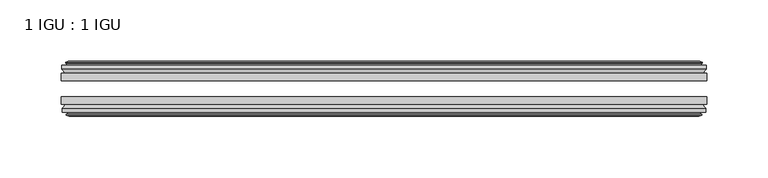
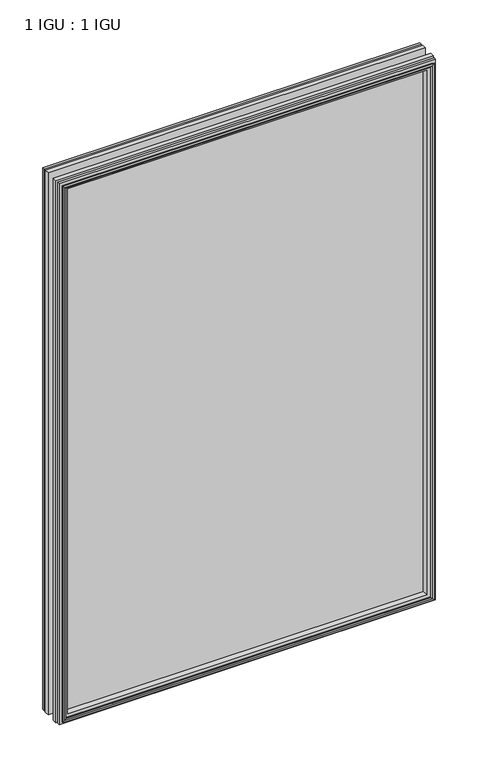
"""IFC4 building model written with IfcOpenShell, lengths in millimetres: plate geometry, 1 IGU : 1 IGU."""

from ifc_helpers import new_model, si_unit, frame, origin, place, context, project, spatial, polyline, outline, extrude, faceted_brep, source, transform, mapped, element, save


def plate_1_igu_1_igu_7bd4c5a8(model_context):
    return source(origin(), model_context, "Body", "SolidModel", [
        extrude(outline(polyline([(263.5249999, -19.5460937), (263.5249999, -25.8960938), (-263.5249999, -25.8960938), (-263.5249999, -19.5460937), (263.5249999, -19.5460937)])), frame((0.0, 0.0, -12.7), z_axis=(0.0, 0.0, 1.0), x_axis=(1.0, 0.0, 0.0)), (0.0, 0.0, 1.0), 800.0900593),
        extrude(outline(polyline([(-263.5249999, -44.9460938), (-263.5249999, -38.9186737), (263.5249999, -38.9186737), (263.5249999, -44.9460938), (-263.5249999, -44.9460938)])), frame((0.0, 0.0, -12.7), z_axis=(0.0, 0.0, 1.0), x_axis=(1.0, 0.0, 0.0)), (0.0, 0.0, 1.0), 800.0900593),
        faceted_brep([(-257.9369999, -53.6762907, 781.8020593), (-258.3179999, -51.2960937, 782.1830593), (-258.3179999, -51.2960937, -7.493), (-257.9369999, -53.6762907, -7.112), (-259.3525289, -53.2163575, 783.2175883), (-259.3525289, -53.2163575, -8.5275291), (-259.3525289, -54.0175717, 783.2175883), (-259.3525289, -54.0175717, -8.5275291), (-257.1749999, -54.7250937, 781.0400593), (-257.1749999, -54.7250937, -6.35), (-254.9974708, -54.0175717, 778.8625302), (-254.9974708, -54.0175717, -4.1724709), (-254.9974708, -53.2163575, 778.8625302), (-254.9974708, -53.2163575, -4.1724709), (-256.4129999, -53.6762907, 780.2780593), (-256.4129999, -53.6762907, -5.588), (-256.0319999, -51.2960937, 779.8970593), (-256.0319999, -51.2960937, -5.207), (-249.1072818, -44.9460937, 772.9723412), (-250.8249999, -51.2960937, 774.6900593), (-250.8249999, -51.2960937, 0.0), (-249.1072818, -44.9460937, 1.7177181), (-262.7629999, -48.3496937, 786.6280593), (-259.9286577, -44.9460937, 783.7937171), (-259.9286577, -44.9460937, -9.1036578), (-262.7629999, -48.3496937, -11.938), (-262.7629999, -51.2960937, 786.6280593), (-262.7629999, -51.2960937, -11.938), (258.3179999, -51.2960938, -7.493), (257.9369999, -53.6762907, -7.112), (259.3525289, -53.2163575, -8.5275291), (259.3525289, -54.0175717, -8.5275291), (257.1749999, -54.7250937, -6.35), (254.9974708, -54.0175717, -4.1724709), (254.9974708, -53.2163575, -4.1724709), (256.4129999, -53.6762907, -5.588), (256.0319999, -51.2960937, -5.207), (250.8249999, -51.2960937, 0.0), (249.1072818, -44.9460937, 1.7177181), (259.9286577, -44.9460937, -9.1036578), (262.7629999, -48.3496937, -11.938), (262.7629999, -51.2960938, -11.938), (258.3179999, -51.2960938, 782.1830593), (257.9369999, -53.6762907, 781.8020593), (259.3525289, -53.2163575, 783.2175883), (259.3525289, -54.0175717, 783.2175883), (257.1749999, -54.7250937, 781.0400593), (254.9974708, -54.0175717, 778.8625302), (254.9974708, -53.2163575, 778.8625302), (256.4129999, -53.6762907, 780.2780593), (256.0319999, -51.2960937, 779.8970593), (250.8249999, -51.2960937, 774.6900593), (249.1072818, -44.9460937, 772.9723412), (259.9286577, -44.9460937, 783.7937171), (262.7629999, -48.3496937, 786.6280593), (262.7629999, -51.2960938, 786.6280593)], [[[0, 1, 2, 3]], [[4, 0, 3, 5]], [[6, 4, 5, 7]], [[8, 6, 7, 9]], [[10, 8, 9, 11]], [[12, 10, 11, 13]], [[14, 12, 13, 15]], [[16, 14, 15, 17]], [[18, 19, 20, 21]], [[22, 23, 24, 25]], [[26, 22, 25, 27]], [[3, 2, 28, 29]], [[5, 3, 29, 30]], [[7, 5, 30, 31]], [[9, 7, 31, 32]], [[11, 9, 32, 33]], [[13, 11, 33, 34]], [[15, 13, 34, 35]], [[17, 15, 35, 36]], [[21, 20, 37, 38]], [[25, 24, 39, 40]], [[27, 25, 40, 41]], [[29, 28, 42, 43]], [[30, 29, 43, 44]], [[31, 30, 44, 45]], [[32, 31, 45, 46]], [[33, 32, 46, 47]], [[34, 33, 47, 48]], [[35, 34, 48, 49]], [[36, 35, 49, 50]], [[38, 37, 51, 52]], [[40, 39, 53, 54]], [[41, 40, 54, 55]], [[27, 41, 55, 26], [1, 42, 28, 2]], [[43, 42, 1, 0]], [[44, 43, 0, 4]], [[45, 44, 4, 6]], [[46, 45, 6, 8]], [[47, 46, 8, 10]], [[48, 47, 10, 12]], [[49, 48, 12, 14]], [[50, 49, 14, 16]], [[17, 36, 50, 16], [19, 51, 37, 20]], [[52, 51, 19, 18]], [[23, 53, 39, 24], [21, 38, 52, 18]], [[54, 53, 23, 22]], [[55, 54, 22, 26]]]),
        faceted_brep([(-260.4493577, -19.5460937, 784.3144171), (-263.2836999, -16.1424937, 787.1487593), (-263.2836999, -16.1424937, -12.4587), (-260.4493577, -19.5460937, -9.6243578), (-251.3456999, -13.1960937, 775.2107593), (-249.6279818, -19.5460937, 773.4930412), (-249.6279818, -19.5460937, 1.1970181), (-251.3456999, -13.1960937, -0.5207), (-256.9336999, -10.8158968, 780.7987593), (-256.5526999, -13.1960937, 780.4177593), (-256.5526999, -13.1960937, -5.7277), (-256.9336999, -10.8158968, -6.1087), (-255.5181708, -11.27583, 779.3832302), (-255.5181708, -11.27583, -4.6931709), (-255.5181708, -10.4746158, 779.3832302), (-255.5181708, -10.4746158, -4.6931709), (-257.6956999, -9.7670937, 781.5607593), (-257.6956999, -9.7670937, -6.8707), (-259.8732289, -10.4746158, 783.7382883), (-259.8732289, -10.4746158, -9.0482291), (-259.8732289, -11.27583, 783.7382883), (-259.8732289, -11.27583, -9.0482291), (-258.4576999, -10.8158968, 782.3227593), (-258.4576999, -10.8158968, -7.6327), (-258.8386999, -13.1960937, 782.7037593), (-258.8386999, -13.1960937, -8.0137), (-263.2836999, -13.1960937, 787.1487593), (-263.2836999, -13.1960937, -12.4587), (263.2836999, -16.1424937, -12.4587), (260.4493577, -19.5460937, -9.6243578), (249.6279818, -19.5460937, 1.1970181), (251.3456999, -13.1960937, -0.5207), (256.5526999, -13.1960937, -5.7277), (256.9336999, -10.8158968, -6.1087), (255.5181708, -11.27583, -4.6931709), (255.5181708, -10.4746158, -4.6931709), (257.6956999, -9.7670937, -6.8707), (259.8732289, -10.4746158, -9.0482291), (259.8732289, -11.27583, -9.0482291), (258.4576999, -10.8158968, -7.6327), (258.8386999, -13.1960937, -8.0137), (263.2836999, -13.1960937, -12.4587), (263.2836999, -16.1424937, 787.1487593), (260.4493577, -19.5460937, 784.3144171), (249.6279818, -19.5460937, 773.4930412), (251.3456999, -13.1960937, 775.2107593), (256.5526999, -13.1960937, 780.4177593), (256.9336999, -10.8158968, 780.7987593), (255.5181708, -11.27583, 779.3832302), (255.5181708, -10.4746158, 779.3832302), (257.6956999, -9.7670937, 781.5607593), (259.8732289, -10.4746158, 783.7382883), (259.8732289, -11.27583, 783.7382883), (258.4576999, -10.8158968, 782.3227593), (258.8386999, -13.1960937, 782.7037593), (263.2836999, -13.1960937, 787.1487593)], [[[0, 1, 2, 3]], [[4, 5, 6, 7]], [[8, 9, 10, 11]], [[12, 8, 11, 13]], [[14, 12, 13, 15]], [[16, 14, 15, 17]], [[18, 16, 17, 19]], [[20, 18, 19, 21]], [[22, 20, 21, 23]], [[24, 22, 23, 25]], [[1, 26, 27, 2]], [[3, 2, 28, 29]], [[7, 6, 30, 31]], [[11, 10, 32, 33]], [[13, 11, 33, 34]], [[15, 13, 34, 35]], [[17, 15, 35, 36]], [[19, 17, 36, 37]], [[21, 19, 37, 38]], [[23, 21, 38, 39]], [[25, 23, 39, 40]], [[2, 27, 41, 28]], [[29, 28, 42, 43]], [[31, 30, 44, 45]], [[33, 32, 46, 47]], [[34, 33, 47, 48]], [[35, 34, 48, 49]], [[36, 35, 49, 50]], [[37, 36, 50, 51]], [[38, 37, 51, 52]], [[39, 38, 52, 53]], [[40, 39, 53, 54]], [[28, 41, 55, 42]], [[43, 42, 1, 0]], [[3, 29, 43, 0], [5, 44, 30, 6]], [[45, 44, 5, 4]], [[9, 46, 32, 10], [7, 31, 45, 4]], [[47, 46, 9, 8]], [[48, 47, 8, 12]], [[49, 48, 12, 14]], [[50, 49, 14, 16]], [[51, 50, 16, 18]], [[52, 51, 18, 20]], [[53, 52, 20, 22]], [[54, 53, 22, 24]], [[26, 55, 41, 27], [25, 40, 54, 24]], [[42, 55, 26, 1]]]),
    ])


if __name__ == "__main__":
    model = new_model("IFC4")
    model_context = context("Model", 3, world=origin())
    ifc_project = project(units=[si_unit("LENGTHUNIT", "METRE", prefix="MILLI")], contexts=[model_context])
    site = spatial("IfcSite", under=ifc_project)
    building = spatial("IfcBuilding", under=site)
    placement = place(None, origin())
    plate_1_igu_1_igu_shape = plate_1_igu_1_igu_7bd4c5a8(model_context)
    element("IfcPlate", 1, ObjectType="1 IGU : 1 IGU", at=placement, inside=building, context=model_context, shape_type="MappedRepresentation", body=[
        mapped(plate_1_igu_1_igu_shape, transform((0.0, 0.0, 0.0), x_axis=(1.0, 0.0, 0.0), y_axis=(0.0, 1.0, 0.0), z_axis=(0.0, 0.0, 1.0))),
    ])
    save(model, "model.ifc")
